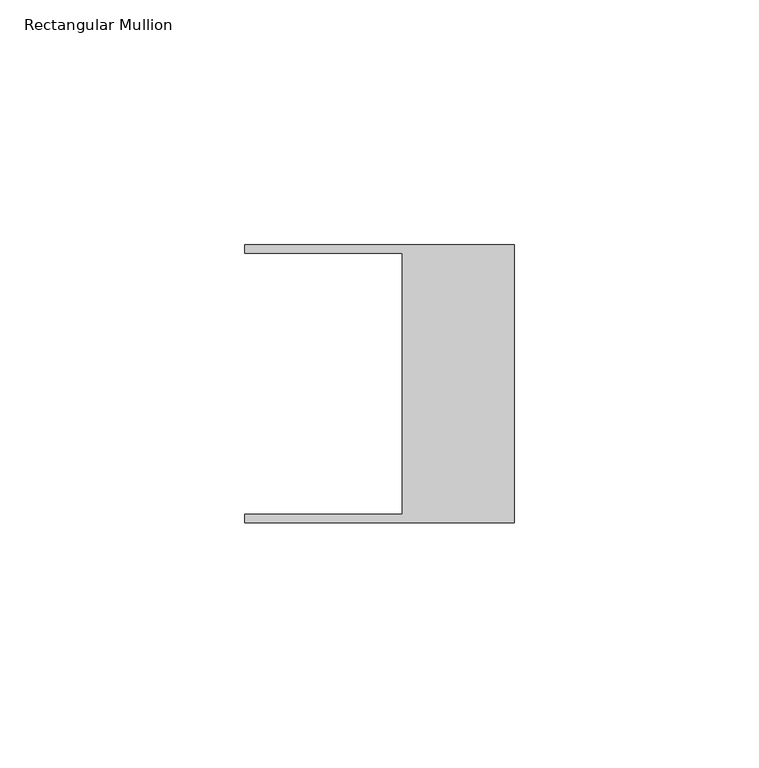
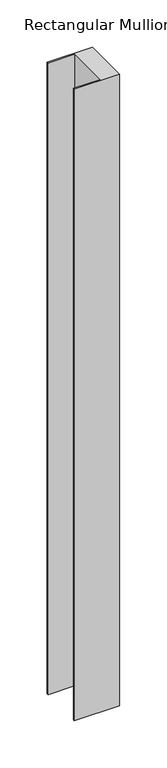
"""IFC4 building model written with IfcOpenShell, lengths in millimetres: member geometry, Rectangular Mullion."""

from ifc_helpers import new_model, si_unit, frame, origin, place, context, project, spatial, polyline, outline, extrude, source, transform, mapped, element, save


def rectangular_mullion_55b59d8e(model_context):
    return source(origin(), model_context, "Body", "SweptSolid", [
        extrude(outline(polyline([(-55.118, 26.67), (-55.118, 28.448), (0.0, 28.448), (0.0, -28.448), (-55.118, -28.448), (-55.118, -26.67), (-22.86, -26.67), (-22.86, 26.67), (-55.118, 26.67)])), frame((0.0, 0.0, -812.8), z_axis=(0.0, 0.0, 1.0), x_axis=(1.0, 0.0, 0.0)), (0.0, 0.0, 1.0), 812.8),
    ])


if __name__ == "__main__":
    model = new_model("IFC4")
    model_context = context("Model", 3, world=origin())
    ifc_project = project(units=[si_unit("LENGTHUNIT", "METRE", prefix="MILLI")], contexts=[model_context])
    site = spatial("IfcSite", under=ifc_project)
    building = spatial("IfcBuilding", under=site)
    placement = place(None, origin())
    rectangular_mullion_shape = rectangular_mullion_55b59d8e(model_context)
    element("IfcMember", 1, ObjectType="Rectangular Mullion", at=placement, inside=building, context=model_context, shape_type="MappedRepresentation", body=[
        mapped(rectangular_mullion_shape, transform((0.0, 0.0, 0.0), x_axis=(1.0, 0.0, 0.0), y_axis=(0.0, 1.0, 0.0), z_axis=(0.0, 0.0, 1.0))),
    ])
    save(model, "model.ifc")
